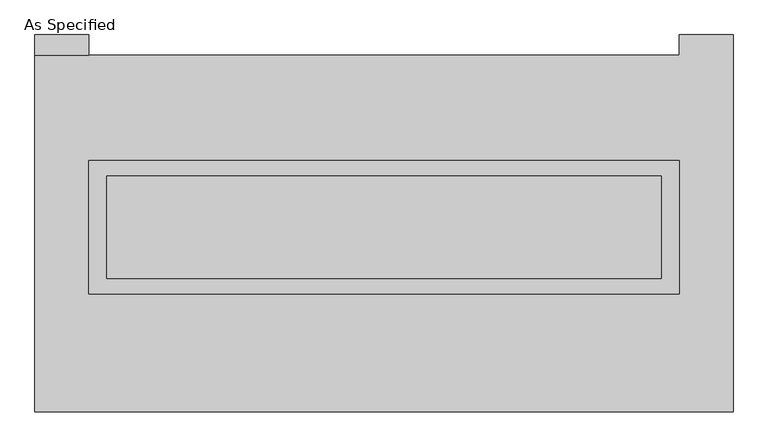
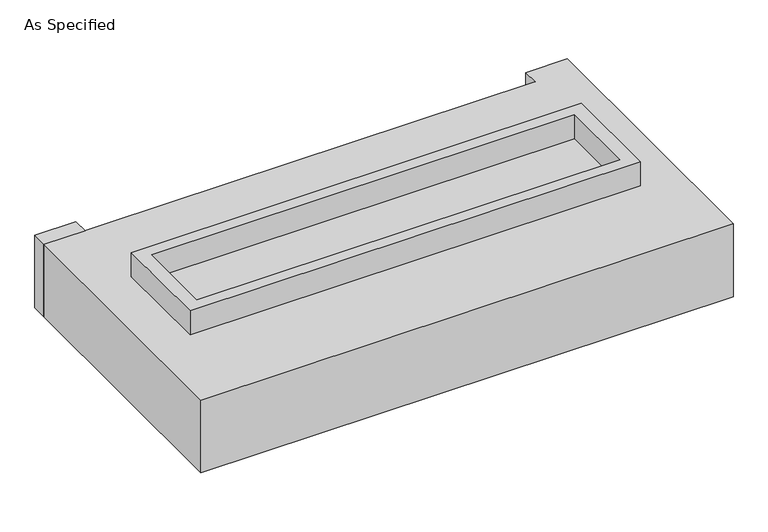
"""IFC4 building model written with IfcOpenShell, lengths in millimetres: proxy geometry, As Specified."""

from ifc_helpers import new_model, si_unit, frame, origin, place, context, project, spatial, polyline, outline, extrude, source, transform, mapped, element, save


def as_specified_6b55ff41(model_context):
    return source(origin(), model_context, "Body", "SweptSolid", [
        extrude(outline(polyline([(1460.5, 361.95), (1460.5, -298.45), (-1460.5, -298.45), (-1460.5, 361.95), (1460.5, 361.95)]), holes=[polyline([(1371.6, 285.75), (-1371.6, 285.75), (-1371.6, -222.25), (1371.6, -222.25), (1371.6, 285.75)])]), frame((0.0, 0.0, -688.975), z_axis=(0.0, 0.0, 1.0), x_axis=(1.0, 0.0, 0.0)), (0.0, 0.0, 1.0), 165.1),
        extrude(outline(polyline([(1460.5, 361.95), (1460.5, -298.45), (-1460.5, -298.45), (-1460.5, 361.95), (1460.5, 361.95)]), holes=[polyline([(1371.6, 285.75), (-1371.6, 285.75), (-1371.6, -222.25), (1371.6, -222.25), (1371.6, 285.75)])]), frame((0.0, 0.0, -25.4), z_axis=(0.0, 0.0, 1.0), x_axis=(1.0, 0.0, 0.0)), (0.0, 0.0, 1.0), 165.1),
        extrude(outline(polyline([(-1460.5, 882.65), (-1727.2, 882.65), (-1727.2, 984.25), (-1460.5, 984.25), (-1460.5, 882.65)])), frame((0.0, 0.0, -523.875), z_axis=(0.0, 0.0, 1.0), x_axis=(1.0, 0.0, 0.0)), (0.0, 0.0, 1.0), 498.475),
        extrude(outline(polyline([(1371.6, 285.75), (1371.6, -222.25), (-1371.6, -222.25), (-1371.6, 285.75), (1371.6, 285.75)])), frame((0.0, 0.0, -523.875), z_axis=(0.0, 0.0, 1.0), x_axis=(1.0, 0.0, 0.0)), (0.0, 0.0, 1.0), 4.9609375),
        extrude(outline(polyline([(1371.6, 285.75), (1371.6, -222.25), (-1371.6, -222.25), (-1371.6, 285.75), (1371.6, 285.75)])), frame((0.0, 0.0, -30.3609375), z_axis=(0.0, 0.0, 1.0), x_axis=(1.0, 0.0, 0.0)), (0.0, 0.0, 1.0), 4.9609375),
        extrude(outline(polyline([(1727.2, -882.65), (-1727.2, -882.65), (-1727.2, 882.65), (1460.5, 882.65), (1460.5, 984.25), (1727.2, 984.25), (1727.2, -882.65)]), holes=[polyline([(-1460.5, 361.95), (-1460.5, -298.45), (1460.5, -298.45), (1460.5, 361.95), (-1460.5, 361.95)])]), frame((0.0, 0.0, -523.875), z_axis=(0.0, 0.0, 1.0), x_axis=(1.0, 0.0, 0.0)), (0.0, 0.0, 1.0), 498.475),
    ])


if __name__ == "__main__":
    model = new_model("IFC4")
    model_context = context("Model", 3, world=origin())
    ifc_project = project(units=[si_unit("LENGTHUNIT", "METRE", prefix="MILLI")], contexts=[model_context])
    site = spatial("IfcSite", under=ifc_project)
    building = spatial("IfcBuilding", under=site)
    placement = place(None, origin())
    as_specified_shape = as_specified_6b55ff41(model_context)
    element("IfcBuildingElementProxy", 1, Name="As Specified", ObjectType="As Specified", at=placement, inside=building, context=model_context, shape_type="MappedRepresentation", body=[
        mapped(as_specified_shape, transform((0.0, 0.0, 0.0), x_axis=(1.0, 0.0, 0.0), y_axis=(0.0, 1.0, 0.0), z_axis=(0.0, 0.0, 1.0))),
    ])
    save(model, "model.ifc")
